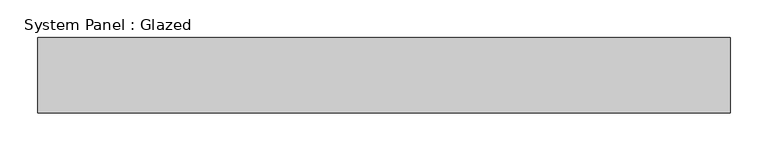
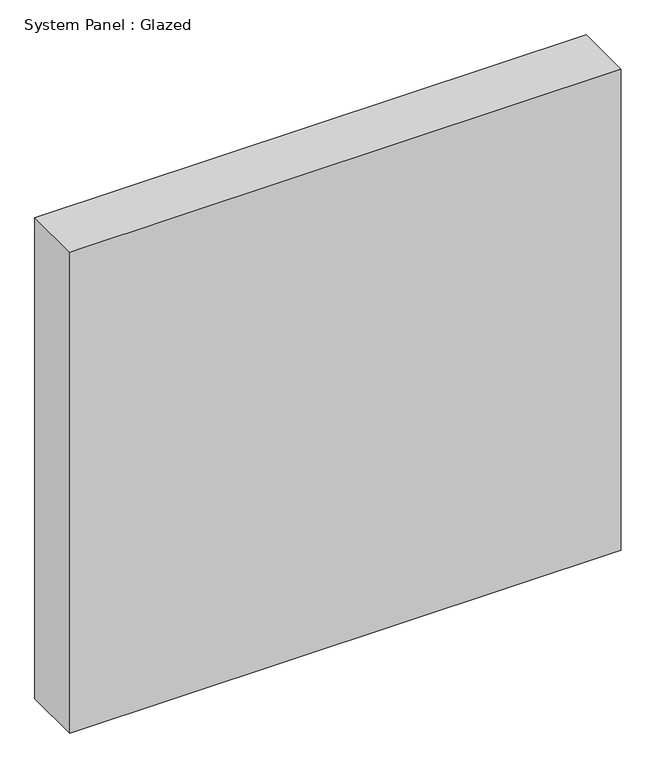
"""IFC4 building model written with IfcOpenShell, lengths in millimetres: plate geometry, System Panel : Glazed."""

from ifc_helpers import new_model, si_unit, origin, origin_with_axes, place, context, project, spatial, polyline, outline, extrude, source, transform, mapped, element, save


def system_panel_glazed_2503a5a0(model_context):
    return source(origin(), model_context, "Body", "SweptSolid", [
        extrude(outline(polyline([(458.3333333, 50.0), (-458.3333333, 50.0), (-458.3333333, 150.0), (458.3333333, 150.0), (458.3333333, 50.0)])), origin_with_axes(), (0.0, 0.0, 1.0), 845.0),
    ])


if __name__ == "__main__":
    model = new_model("IFC4")
    model_context = context("Model", 3, world=origin())
    ifc_project = project(units=[si_unit("LENGTHUNIT", "METRE", prefix="MILLI")], contexts=[model_context])
    site = spatial("IfcSite", under=ifc_project)
    building = spatial("IfcBuilding", under=site)
    placement = place(None, origin())
    system_panel_glazed_shape = system_panel_glazed_2503a5a0(model_context)
    element("IfcPlate", 1, ObjectType="System Panel : Glazed", at=placement, inside=building, context=model_context, shape_type="MappedRepresentation", body=[
        mapped(system_panel_glazed_shape, transform((0.0, 0.0, 0.0), x_axis=(1.0, 0.0, 0.0), y_axis=(0.0, 1.0, 0.0), z_axis=(0.0, 0.0, 1.0))),
    ])
    save(model, "model.ifc")
